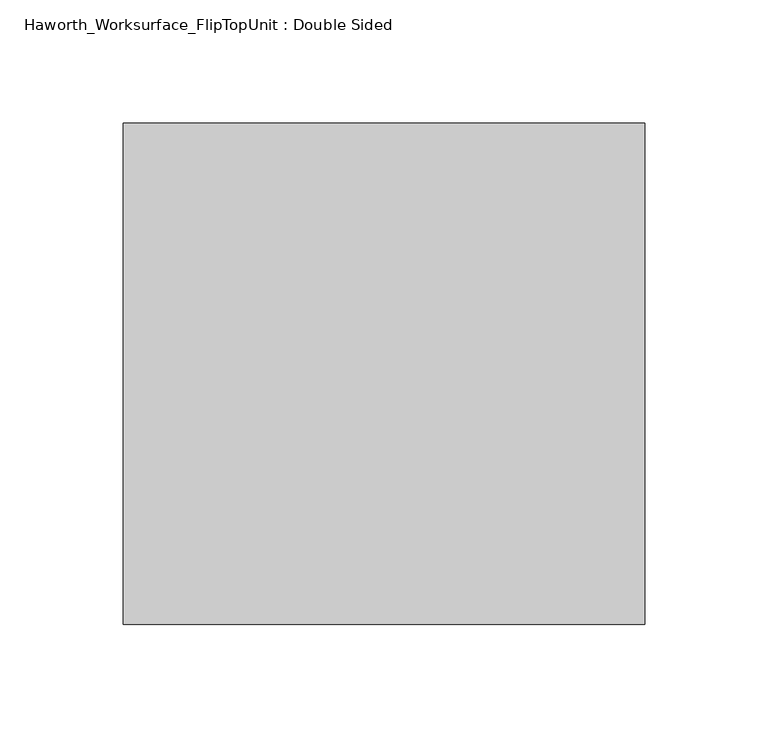
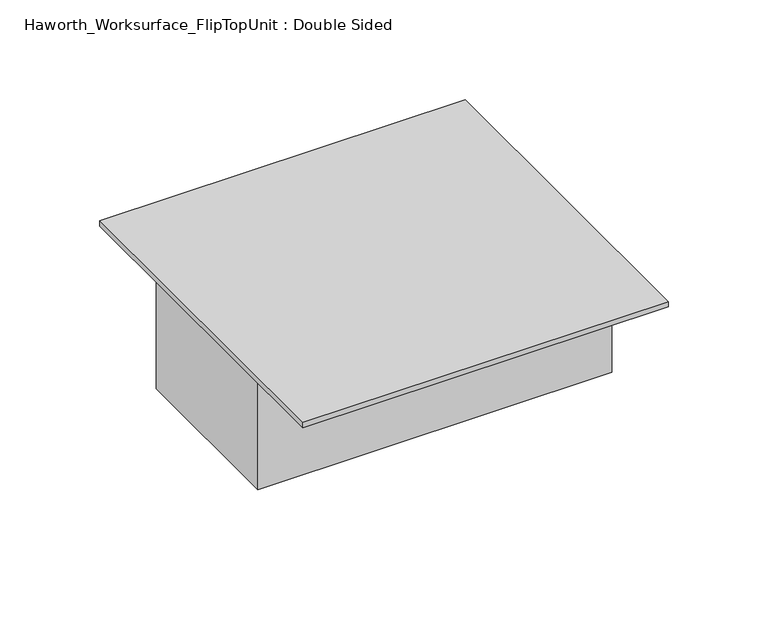
"""IFC4 building model written with IfcOpenShell, lengths in millimetres: furniture geometry, Haworth_Worksurface_FlipTopUnit : Double Sided."""

from ifc_helpers import new_model, si_unit, origin, place, context, project, spatial, faceted_brep, source, transform, mapped, element, save


def haworth_worksurface_fliptopunit_double_sided_385e8c8d(model_context):
    return source(origin(), model_context, "Body", "Brep", [
        faceted_brep([(120.0561699, -102.9331298, 3.175), (120.0561699, 100.2668702, 3.175), (-91.0813301, 100.2668702, 3.175), (-91.0813301, -102.9331298, 3.175), (120.0561699, -102.9331298, 0.0), (-91.0813301, -102.9331298, 0.0), (-91.0813301, 100.2668702, 0.0), (120.0561699, 100.2668702, 0.0), (116.8811699, -52.1331298, 0.0), (116.8811699, 49.4668702, 0.0), (-87.9063301, 49.4668702, 0.0), (-87.9063301, -52.1331298, 0.0), (116.8811699, -52.1331298, -69.85), (-87.9063301, -52.1331298, -69.85), (-87.9063301, 49.4668702, -69.85), (116.8811699, 49.4668702, -69.85)], [[[0, 1, 2, 3]], [[4, 5, 6, 7], [8, 9, 10, 11]], [[3, 5, 4, 0]], [[2, 6, 5, 3]], [[1, 7, 6, 2]], [[0, 4, 7, 1]], [[12, 13, 14, 15]], [[12, 8, 11, 13]], [[13, 11, 10, 14]], [[14, 10, 9, 15]], [[15, 9, 8, 12]]]),
    ])


if __name__ == "__main__":
    model = new_model("IFC4")
    model_context = context("Model", 3, world=origin())
    ifc_project = project(units=[si_unit("LENGTHUNIT", "METRE", prefix="MILLI")], contexts=[model_context])
    site = spatial("IfcSite", under=ifc_project)
    building = spatial("IfcBuilding", under=site)
    placement = place(None, origin())
    haworth_worksurface_fliptopunit_double_sided_shape = haworth_worksurface_fliptopunit_double_sided_385e8c8d(model_context)
    element("IfcFurniture", 1, ObjectType="Haworth_Worksurface_FlipTopUnit : Double Sided", at=placement, inside=building, context=model_context, shape_type="MappedRepresentation", body=[
        mapped(haworth_worksurface_fliptopunit_double_sided_shape, transform((0.0, 0.0, 0.0), x_axis=(1.0, 0.0, 0.0), y_axis=(0.0, 1.0, 0.0), z_axis=(0.0, 0.0, 1.0))),
    ])
    save(model, "model.ifc")
